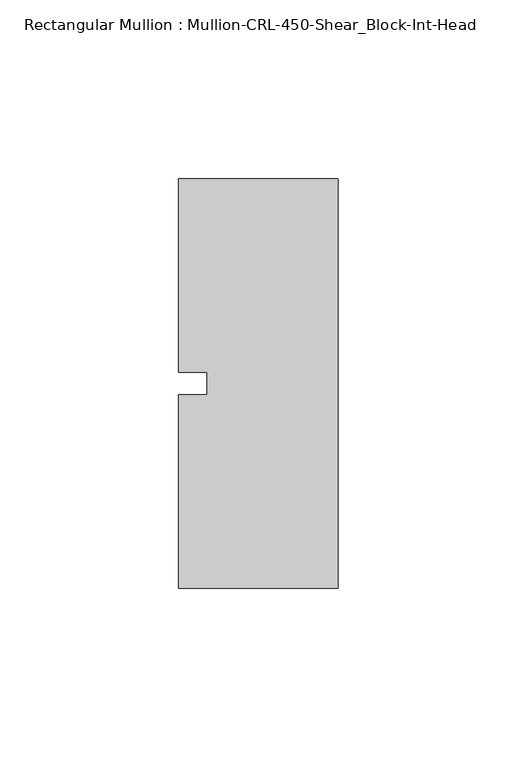
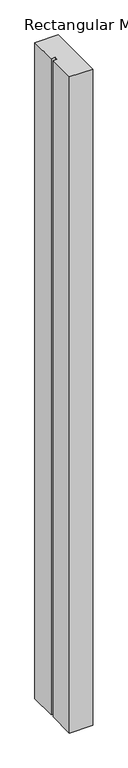
"""IFC4 building model written with IfcOpenShell, lengths in millimetres: member geometry, Rectangular Mullion : Mullion-CRL-450-Shear_Block-Int-Head."""

from ifc_helpers import new_model, si_unit, frame, origin, place, context, project, spatial, polyline, outline, extrude, source, transform, mapped, element, save


def rectangular_mullion_mullion_crl_450_shear_block_int_head_75ff91a8(model_context):
    return source(origin(), model_context, "Body", "SweptSolid", [
        extrude(outline(polyline([(0.0, -57.15), (-44.45, -57.15), (-44.45, -3.175), (-36.5125, -3.175), (-36.5125, 3.175), (-44.45, 3.175), (-44.45, 57.15), (0.0, 57.15), (0.0, -57.15)])), frame((0.0, 0.0, -1325.0333333), z_axis=(0.0, 0.0, 1.0), x_axis=(1.0, 0.0, 0.0)), (0.0, 0.0, 1.0), 1325.0333333),
    ])


if __name__ == "__main__":
    model = new_model("IFC4")
    model_context = context("Model", 3, world=origin())
    ifc_project = project(units=[si_unit("LENGTHUNIT", "METRE", prefix="MILLI")], contexts=[model_context])
    site = spatial("IfcSite", under=ifc_project)
    building = spatial("IfcBuilding", under=site)
    placement = place(None, origin())
    rectangular_mullion_mullion_crl_450_shear_block_int_head_shape = rectangular_mullion_mullion_crl_450_shear_block_int_head_75ff91a8(model_context)
    element("IfcMember", 1, ObjectType="Rectangular Mullion : Mullion-CRL-450-Shear_Block-Int-Head", at=placement, inside=building, context=model_context, shape_type="MappedRepresentation", body=[
        mapped(rectangular_mullion_mullion_crl_450_shear_block_int_head_shape, transform((0.0, 0.0, 0.0), x_axis=(1.0, 0.0, 0.0), y_axis=(0.0, 1.0, 0.0), z_axis=(0.0, 0.0, 1.0))),
    ])
    save(model, "model.ifc")
